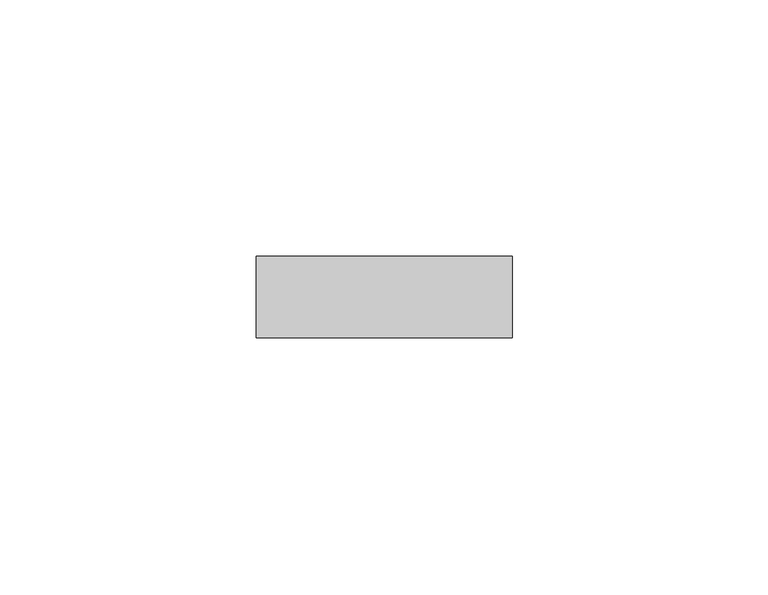
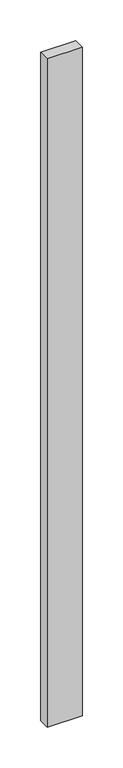
"""IFC4 building model written with IfcOpenShell, lengths in millimetres: proxy geometry."""

from ifc_helpers import new_model, si_unit, frame, origin, place, context, project, spatial, polyline, outline, extrude, source, transform, mapped, element, save


def generic_models_abec655a(model_context):
    return source(origin(), model_context, "Body", "SweptSolid", [
        extrude(outline(polyline([(55.5018515, -62.4360182), (5.5018515, -62.4360182), (5.5018515, -46.4360182), (55.5018515, -46.4360182), (55.5018515, -62.4360182)])), frame((0.0, 0.0, 1747.5094172), z_axis=(0.0, 0.0, 1.0), x_axis=(1.0, 0.0, 0.0)), (0.0, 0.0, 1.0), 1004.9811656),
    ])


if __name__ == "__main__":
    model = new_model("IFC4")
    model_context = context("Model", 3, world=origin())
    ifc_project = project(units=[si_unit("LENGTHUNIT", "METRE", prefix="MILLI")], contexts=[model_context])
    site = spatial("IfcSite", under=ifc_project)
    building = spatial("IfcBuilding", under=site)
    placement = place(None, origin())
    generic_models_shape = generic_models_abec655a(model_context)
    element("IfcBuildingElementProxy", 1, Name="Generic Models", at=placement, inside=building, context=model_context, shape_type="MappedRepresentation", body=[
        mapped(generic_models_shape, transform((0.0, 0.0, 0.0), x_axis=(1.0, 0.0, 0.0), y_axis=(0.0, 1.0, 0.0), z_axis=(0.0, 0.0, 1.0))),
    ])
    save(model, "model.ifc")
